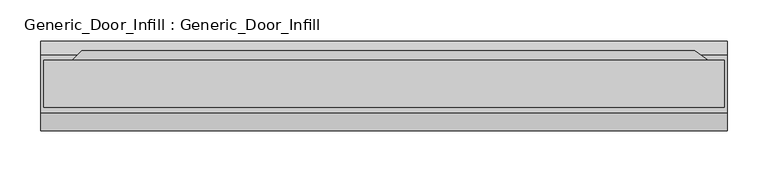
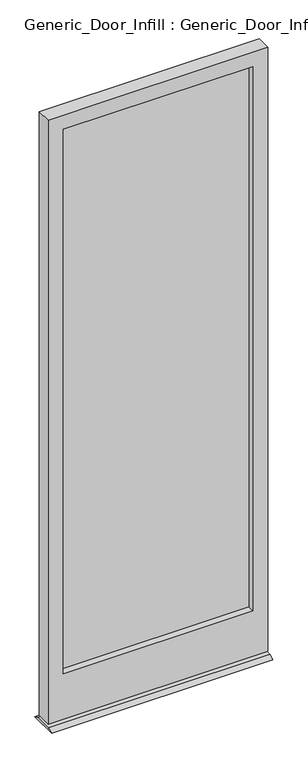
"""IFC4 building model written with IfcOpenShell, lengths in millimetres: plate geometry, Generic_Door_Infill : Generic_Door_Infill."""

from ifc_helpers import new_model, si_unit, frame, origin, place, context, project, spatial, polyline, outline, extrude, source, transform, mapped, element, save


def generic_door_infill_generic_door_infill_b022a015(model_context):
    return source(origin(), model_context, "Body", "SweptSolid", [
        extrude(outline(polyline([(-369.3894878, 35.8230014), (379.8567123, 35.8230014), (405.5069821, 17.8624892), (-387.35, 17.8624892), (-369.3894878, 35.8230014)])), frame((0.0, 0.0, 1090.3849987), z_axis=(0.0, 0.0, 1.0), x_axis=(1.0, 0.0, 0.0)), (0.0, 0.0, 1.0), 78.0150013),
        extrude(outline(polyline([(-358.775, -7.5375108), (-358.775, -1.1875108), (358.775, -1.1875108), (358.775, -7.5375108), (-358.775, -7.5375108)])), frame((0.0, 0.0, 200.025), z_axis=(0.0, 0.0, 1.0), x_axis=(1.0, 0.0, 0.0)), (0.0, 0.0, 1.0), 2178.05),
        extrude(outline(polyline([(2435.225, 415.925), (2435.225, -415.925), (17.4625, -415.925), (17.4625, 415.925), (2435.225, 415.925)]), holes=[polyline([(2378.075, 358.775), (200.025, 358.775), (200.025, -358.775), (2378.075, -358.775), (2378.075, 358.775)])]), frame((0.0, -32.9375108, 0.0), z_axis=(0.0, 1.0, 0.0), x_axis=(0.0, 0.0, 1.0)), (0.0, 0.0, 1.0), 57.15),
        extrude(outline(polyline([(30.5624892, 8.0508779), (47.8276525, 0.0), (-61.407116, 0.0), (-39.2875108, 8.0508779), (30.5624892, 8.0508779)])), frame((-419.1, 0.0, 0.0), z_axis=(1.0, 0.0, 0.0), x_axis=(0.0, 1.0, 0.0)), (0.0, 0.0, 1.0), 838.2),
    ])


if __name__ == "__main__":
    model = new_model("IFC4")
    model_context = context("Model", 3, world=origin())
    ifc_project = project(units=[si_unit("LENGTHUNIT", "METRE", prefix="MILLI")], contexts=[model_context])
    site = spatial("IfcSite", under=ifc_project)
    building = spatial("IfcBuilding", under=site)
    placement = place(None, origin())
    generic_door_infill_generic_door_infill_shape = generic_door_infill_generic_door_infill_b022a015(model_context)
    element("IfcPlate", 1, ObjectType="Generic_Door_Infill : Generic_Door_Infill", at=placement, inside=building, context=model_context, shape_type="MappedRepresentation", body=[
        mapped(generic_door_infill_generic_door_infill_shape, transform((0.0, 0.0, 0.0), x_axis=(1.0, 0.0, 0.0), y_axis=(0.0, 1.0, 0.0), z_axis=(0.0, 0.0, 1.0))),
    ])
    save(model, "model.ifc")
